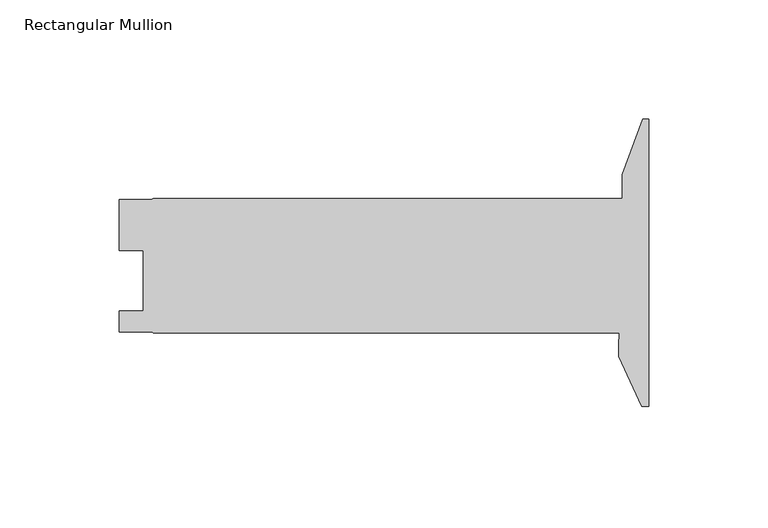
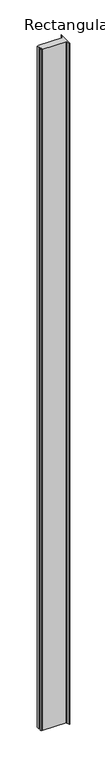
"""IFC4 building model written with IfcOpenShell, lengths in millimetres: member geometry, Rectangular Mullion."""

from ifc_helpers import new_model, si_unit, point, frame, frame_2d, origin, place, context, project, spatial, polyline, circle_curve, trimmed, segment, composite_curve, outline, extrude, source, transform, mapped, element, save


def rectangular_mullion_3524694b(model_context):
    return source(origin(), model_context, "Body", "SweptSolid", [
        extrude(outline(composite_curve([segment(polyline([(0.0, -103.2129), (-2.8679621, -103.2129), (-12.6987193, -82.130773), (-12.6987193, -77.342873)]), True, "CONTINUOUS"), segment(trimmed(circle_curve(frame_2d((-107.9362636, -69.405373)), 95.5677442), [point((-12.6987193, -77.342873))], [point((-12.4143461, -72.3646))], True, "CARTESIAN"), True, "CONTINUOUS"), segment(polyline([(-12.4143461, -72.3646), (-207.8974784, -72.3646), (-208.5594964, -71.90105), (-222.1849784, -71.90105), (-222.1849784, -63.16345), (-212.1392784, -63.16345), (-212.1392784, -37.76345), (-222.1722782, -37.76345), (-222.1722782, -16.3321999), (-208.6893719, -16.3321999), (-207.8974784, -15.875), (-11.1239193, -15.875), (-11.1239193, -5.9626569), (-2.6070581, 17.437227), (0.0, 17.437227), (0.0, -103.2129)]), True, "CONTINUOUS")], self_intersect=False)), frame((0.0, 0.0, -6019.8), z_axis=(0.0, 0.0, 1.0), x_axis=(1.0, 0.0, 0.0)), (0.0, 0.0, 1.0), 6019.8),
    ])


if __name__ == "__main__":
    model = new_model("IFC4")
    model_context = context("Model", 3, world=origin())
    ifc_project = project(units=[si_unit("LENGTHUNIT", "METRE", prefix="MILLI")], contexts=[model_context])
    site = spatial("IfcSite", under=ifc_project)
    building = spatial("IfcBuilding", under=site)
    placement = place(None, origin())
    rectangular_mullion_shape = rectangular_mullion_3524694b(model_context)
    element("IfcMember", 1, ObjectType="Rectangular Mullion", at=placement, inside=building, context=model_context, shape_type="MappedRepresentation", body=[
        mapped(rectangular_mullion_shape, transform((0.0, 0.0, 0.0), x_axis=(1.0, 0.0, 0.0), y_axis=(0.0, 1.0, 0.0), z_axis=(0.0, 0.0, 1.0))),
    ])
    save(model, "model.ifc")
